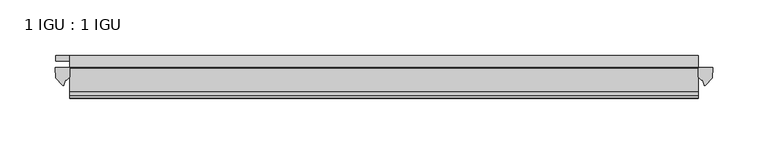
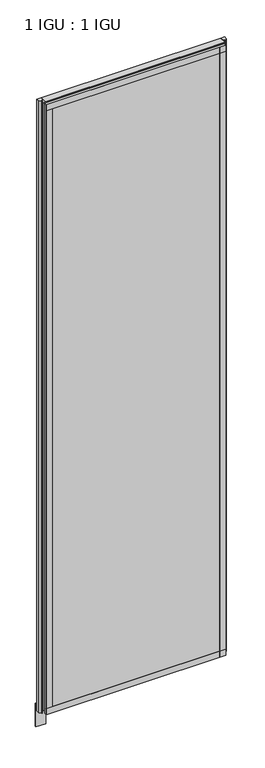
"""IFC4 building model written with IfcOpenShell, lengths in millimetres: plate geometry, 1 IGU : 1 IGU."""

from ifc_helpers import new_model, si_unit, point, frame, frame_2d, origin, place, context, project, spatial, polyline, circle_curve, ellipse_curve, trimmed, segment, composite_curve, outline, extrude, source, transform, mapped, element, save
from ifc_brep_helpers import plane_surface, cylinder_surface, revolved_surface, extruded_surface, advanced_brep


def plate_1_igu_1_igu_3b6b1029(model_context):
    return source(origin(), model_context, "Body", "SolidModel", [
        extrude(outline(polyline([(283.918508, -11.6085937), (283.918508, -18.8576359), (-283.918508, -18.8576359), (-283.918508, -11.6085937), (283.918508, -11.6085937)])), frame((0.0, 0.0, -19.05), z_axis=(0.0, 0.0, 1.0), x_axis=(1.0, 0.0, 0.0)), (0.0, 0.0, 1.0), 2038.3500001),
        extrude(outline(polyline([(-283.918508, -30.7093937), (283.918508, -30.7093937), (283.918508, -37.0085937), (-283.918508, -37.0085937), (-283.918508, -30.7093937)])), frame((0.0, 0.0, -19.05), z_axis=(0.0, 0.0, 1.0), x_axis=(1.0, 0.0, 0.0)), (0.0, 0.0, 1.0), 2038.3500001),
        extrude(outline(polyline([(-264.868508, -5.3578125), (-296.618508, -5.3578125), (-296.618508, -0.4960938), (-264.868508, -0.4960938), (-264.868508, -5.3578125)])), frame((0.0, 0.0, -76.2), z_axis=(0.0, 0.0, 1.0), x_axis=(1.0, 0.0, 0.0)), (0.0, 0.0, 1.0), 76.2),
        extrude(outline(composite_curve([segment(polyline([(296.9964172, -11.6101465), (296.618508, -21.3502133), (290.6804547, -27.6095865)]), True, "CONTINUOUS"), segment(trimmed(circle_curve(frame_2d((290.0076487, -27.2518492)), 0.762), [point((290.6804547, -27.6095865))], [point((289.2789445, -27.4746364))], False, "CARTESIAN"), True, "CONTINUOUS"), segment(polyline([(289.2789445, -27.4746364), (288.0171099, -23.3488397)]), True, "CONTINUOUS"), segment(trimmed(circle_curve(frame_2d((290.199067, -16.3834724)), 7.2991286), [point((288.0171099, -23.3488397))], [point((283.9186866, -20.1028944))], False, "CARTESIAN"), True, "CONTINUOUS"), segment(polyline([(283.9186866, -20.1028944), (283.9186866, -12.664425)]), True, "CONTINUOUS"), segment(trimmed(circle_curve(frame_2d((290.1999411, -16.3827796)), 7.2993369), [point((283.9186866, -12.664425))], [point((284.677053, -11.6101465))], False, "CARTESIAN"), True, "CONTINUOUS"), segment(polyline([(284.677053, -11.6101465), (296.9964172, -11.6101465)]), True, "CONTINUOUS")], self_intersect=False)), frame((0.0, 0.0, -19.05), z_axis=(0.0, 0.0, 1.0), x_axis=(1.0, 0.0, 0.0)), (0.0, 0.0, 1.0), 2045.4874001),
        extrude(outline(composite_curve([segment(polyline([(-283.918508, -11.610702), (-283.918508, -20.1014769)]), True, "CONTINUOUS"), segment(trimmed(circle_curve(frame_2d((-290.1997024, -16.3829847)), 7.2993552), [point((-283.918508, -20.1014769))], [point((-288.0174578, -23.3484994))], False, "CARTESIAN"), True, "CONTINUOUS"), segment(polyline([(-288.0174578, -23.3484994), (-289.2789445, -27.4746364)]), True, "CONTINUOUS"), segment(trimmed(circle_curve(frame_2d((-290.0076487, -27.2518492)), 0.762), [point((-289.2789445, -27.4746364))], [point((-290.6804547, -27.6095865))], False, "CARTESIAN"), True, "CONTINUOUS"), segment(polyline([(-290.6804547, -27.6095865), (-296.618508, -21.3502133), (-296.9964172, -11.610702), (-283.918508, -11.610702)]), True, "CONTINUOUS")], self_intersect=False)), frame((0.0, 0.0, -19.05), z_axis=(0.0, 0.0, 1.0), x_axis=(1.0, 0.0, 0.0)), (0.0, 0.0, 1.0), 2045.4874001),
        extrude(outline(polyline([(-11.6085937, -15.24), (-11.6085937, 2.8161565), (-0.5298609, 1.2591422), (-0.5298609, -0.6645794), (-5.258589, 0.0), (-5.258589, -4.826), (-1.575589, -4.826), (-1.575589, -7.874), (-5.258589, -7.874), (-5.258589, -13.208), (-3.099589, -13.208), (-3.099589, -15.24), (-11.6085937, -15.24)])), frame((-283.918508, 0.0, 0.0), z_axis=(1.0, 0.0, 0.0), x_axis=(0.0, 1.0, 0.0)), (0.0, 0.0, 1.0), 567.837016),
        extrude(outline(polyline([(-283.918508, -39.2945937), (-283.918508, -37.0085937), (283.918508, -37.0085937), (283.918508, -39.2945937), (-283.918508, -39.2945937)])), frame((0.0, 0.0, -19.05), z_axis=(0.0, 0.0, 1.0), x_axis=(1.0, 0.0, 0.0)), (0.0, 0.0, 1.0), 19.05),
        advanced_brep(
        [(-283.918508, -24.3085937, 2018.1276629), (-283.918508, -33.4116395, 2026.4374001), (-283.918508, -12.7165288, 2026.4374001), (-283.918508, -11.6085937, 2019.3000001), (-283.918508, -17.9077937, 2019.3000001), (283.918508, -24.3085937, 2018.1276629), (283.918508, -17.9077937, 2019.3000001), (283.918508, -11.6085937, 2019.3000001), (283.918508, -12.7165288, 2026.4374001), (283.918508, -33.4116395, 2026.4374001)],
        [
            (0, 1, ellipse_curve(frame((-283.918508, -24.3085937, 2028.8250001), z_axis=(-1.0, 0.0, 0.0), x_axis=(0.0, 0.0, -1.0)), 10.6973372, 9.3386252)),
            (1, 2),
            (2, 3, circle_curve(frame((-283.918508, 26.2083666, 2028.8250001), z_axis=(1.0, 0.0, 0.0), x_axis=(0.0, 0.0, -1.0)), 38.9980527)),
            (3, 4),
            (4, 0, circle_curve(frame((-283.918508, -24.3085937, 2036.1875764), z_axis=(-1.0, 0.0, 0.0), x_axis=(0.0, 0.0, -1.0)), 18.0599135)),
            (5, 6, circle_curve(frame((283.918508, -24.3085937, 2036.1875764), z_axis=(1.0, 0.0, 0.0), x_axis=(0.0, 0.0, -1.0)), 18.0599135)),
            (6, 7),
            (7, 8, circle_curve(frame((283.918508, 26.2083666, 2028.8250001), z_axis=(-1.0, 0.0, 0.0), x_axis=(0.0, 0.0, -1.0)), 38.9980527)),
            (8, 9),
            (9, 5, ellipse_curve(frame((283.918508, -24.3085937, 2028.8250001), z_axis=(1.0, 0.0, 0.0), x_axis=(0.0, 0.0, -1.0)), 10.6973372, 9.3386252)),
            (0, 5),
            (9, 1),
            (8, 2),
            (7, 3),
            (6, 4),
        ],
        [
            plane_surface(frame((-283.918508, -9.2273437, 2028.8250001), z_axis=(-1.0, 0.0, 0.0), x_axis=(0.0, 1.0, 0.0))),
            plane_surface(frame((283.918508, -9.2273438, 2028.8250001), z_axis=(1.0, 0.0, 0.0), x_axis=(0.0, 1.0, 0.0))),
            extruded_surface(trimmed(ellipse_curve(frame((283.918508, -24.3085937, 2028.8250001), z_axis=(-1.0, 0.0, 0.0), x_axis=(0.0, 0.0, -1.0)), 10.6973372, 9.3386252), [point((283.918508, -24.3085937, 2018.1276629))], [point((283.918508, -33.4116395, 2026.4374001))], True, "CARTESIAN"), (-567.837016, 0.0, 0.0), 567.837016),
            plane_surface(frame((-283.918508, -33.4116395, 2026.4374001), z_axis=(0.0, 0.0, 1.0), x_axis=(1.0, 0.0, 0.0))),
            revolved_surface(polyline([(283.918508, 26.2083666, 1989.8269473999999), (-283.918508, 26.2083666, 1989.8269473999999)]), (-283.918508, 26.2083666, 2028.8250001), (1.0, 0.0, 0.0)),
            plane_surface(frame((-283.918508, -11.6085937, 2019.3000001), z_axis=(0.0, 0.0, -1.0), x_axis=(1.0, 0.0, 0.0))),
            cylinder_surface(frame((-283.918508, -24.3085937, 2036.1875764), z_axis=(-1.0, 0.0, 0.0), x_axis=(0.0, 0.0, -1.0)), 18.0599135),
        ],
        [
            (0, [[1, 2, 3, 4, 5]]),
            (1, [[6, 7, 8, 9, 10]]),
            (2, [[-1, 11, -10, 12]]),
            (3, [[-2, -12, -9, 13]]),
            (4, [[-3, -13, -8, 14]]),
            (5, [[-4, -14, -7, 15]]),
            (6, [[-5, -15, -6, -11]]),
        ],
    ),
        extrude(outline(polyline([(-283.918508, -39.2945937), (-283.918508, -37.0085937), (283.918508, -37.0085937), (283.918508, -39.2945937), (-283.918508, -39.2945937)])), frame((0.0, 0.0, 2000.2500001), z_axis=(0.0, 0.0, 1.0), x_axis=(1.0, 0.0, 0.0)), (0.0, 0.0, 1.0), 19.05),
        extrude(outline(polyline([(264.868508, -37.0085937), (283.918508, -37.0085937), (283.918508, -39.2945938), (264.868508, -39.2945938), (264.868508, -37.0085937)])), frame((0.0, 0.0, -19.05), z_axis=(0.0, 0.0, 1.0), x_axis=(1.0, 0.0, 0.0)), (0.0, 0.0, 1.0), 2038.3500001),
        extrude(outline(polyline([(-283.918508, -39.2945937), (-283.918508, -37.0085937), (-264.868508, -37.0085937), (-264.868508, -39.2945937), (-283.918508, -39.2945937)])), frame((0.0, 0.0, -19.05), z_axis=(0.0, 0.0, 1.0), x_axis=(1.0, 0.0, 0.0)), (0.0, 0.0, 1.0), 2038.3500001),
    ])


if __name__ == "__main__":
    model = new_model("IFC4")
    model_context = context("Model", 3, world=origin())
    ifc_project = project(units=[si_unit("LENGTHUNIT", "METRE", prefix="MILLI")], contexts=[model_context])
    site = spatial("IfcSite", under=ifc_project)
    building = spatial("IfcBuilding", under=site)
    placement = place(None, origin())
    plate_1_igu_1_igu_shape = plate_1_igu_1_igu_3b6b1029(model_context)
    element("IfcPlate", 1, ObjectType="1 IGU : 1 IGU", at=placement, inside=building, context=model_context, shape_type="MappedRepresentation", body=[
        mapped(plate_1_igu_1_igu_shape, transform((0.0, 0.0, 0.0), x_axis=(1.0, 0.0, 0.0), y_axis=(0.0, 1.0, 0.0), z_axis=(0.0, 0.0, 1.0))),
    ])
    save(model, "model.ifc")
